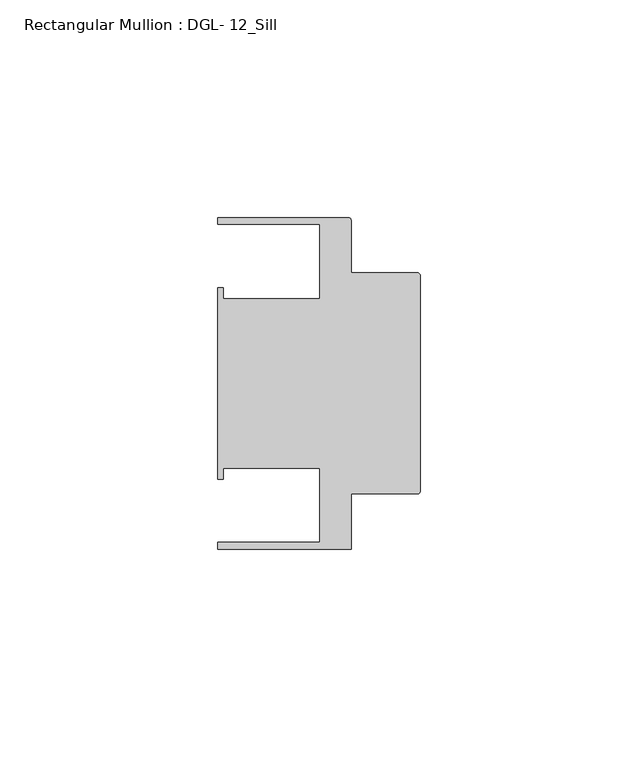
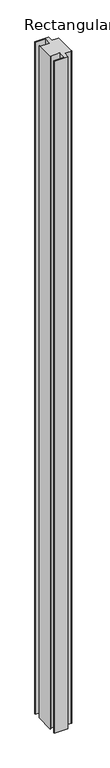
"""IFC4 building model written with IfcOpenShell, lengths in millimetres: member geometry, Rectangular Mullion : DGL- 12_Sill."""

from ifc_helpers import new_model, si_unit, point, frame, frame_2d, origin, place, context, project, spatial, polyline, circle_curve, trimmed, segment, composite_curve, outline, extrude, source, transform, mapped, element, save


def rectangular_mullion_dgl_12_sill_ca40d871(model_context):
    return source(origin(), model_context, "Body", "SweptSolid", [
        extrude(outline(composite_curve([segment(polyline([(-0.5953125, -25.4), (-15.8750672, -25.4), (-15.8750672, -38.0996792), (-46.54296, -38.0996792), (-46.54296, -36.512516), (-23.1202791, -36.512516), (-23.1202791, -19.4824275), (-45.2865266, -19.4824275), (-45.2865266, -21.9710976), (-46.54296, -21.9710976), (-46.54296, 21.9710976), (-45.2865266, 21.9710976), (-45.2865266, 19.4824275), (-23.1202791, 19.4824275), (-23.1202791, 36.512516), (-46.54296, 36.512516), (-46.54296, 38.100016), (-16.4703797, 38.100016)]), True, "CONTINUOUS"), segment(trimmed(circle_curve(frame_2d((-16.4703797, 37.5047035)), 0.5953125), [point((-16.4703797, 38.100016))], [point((-15.8750672, 37.5047035))], False, "CARTESIAN"), True, "CONTINUOUS"), segment(polyline([(-15.8750672, 37.5047035), (-15.8750672, 25.4), (-0.5953125, 25.4)]), True, "CONTINUOUS"), segment(trimmed(circle_curve(frame_2d((-0.5953125, 24.8046875)), 0.5953125), [point((-0.5953125, 25.4))], [point((0.0, 24.8046875))], False, "CARTESIAN"), True, "CONTINUOUS"), segment(polyline([(0.0, 24.8046875), (0.0, -24.8046875)]), True, "CONTINUOUS"), segment(trimmed(circle_curve(frame_2d((-0.5953125, -24.8046875)), 0.5953125), [point((0.0, -24.8046875))], [point((-0.5953125, -25.4))], False, "CARTESIAN"), True, "CONTINUOUS")], self_intersect=False)), frame((0.0, 0.0, -1609.7259345), z_axis=(0.0, 0.0, 1.0), x_axis=(1.0, 0.0, 0.0)), (0.0, 0.0, 1.0), 1609.7259345),
    ])


if __name__ == "__main__":
    model = new_model("IFC4")
    model_context = context("Model", 3, world=origin())
    ifc_project = project(units=[si_unit("LENGTHUNIT", "METRE", prefix="MILLI")], contexts=[model_context])
    site = spatial("IfcSite", under=ifc_project)
    building = spatial("IfcBuilding", under=site)
    placement = place(None, origin())
    rectangular_mullion_dgl_12_sill_shape = rectangular_mullion_dgl_12_sill_ca40d871(model_context)
    element("IfcMember", 1, ObjectType="Rectangular Mullion : DGL- 12_Sill", at=placement, inside=building, context=model_context, shape_type="MappedRepresentation", body=[
        mapped(rectangular_mullion_dgl_12_sill_shape, transform((0.0, 0.0, 0.0), x_axis=(1.0, 0.0, 0.0), y_axis=(0.0, 1.0, 0.0), z_axis=(0.0, 0.0, 1.0))),
    ])
    save(model, "model.ifc")
